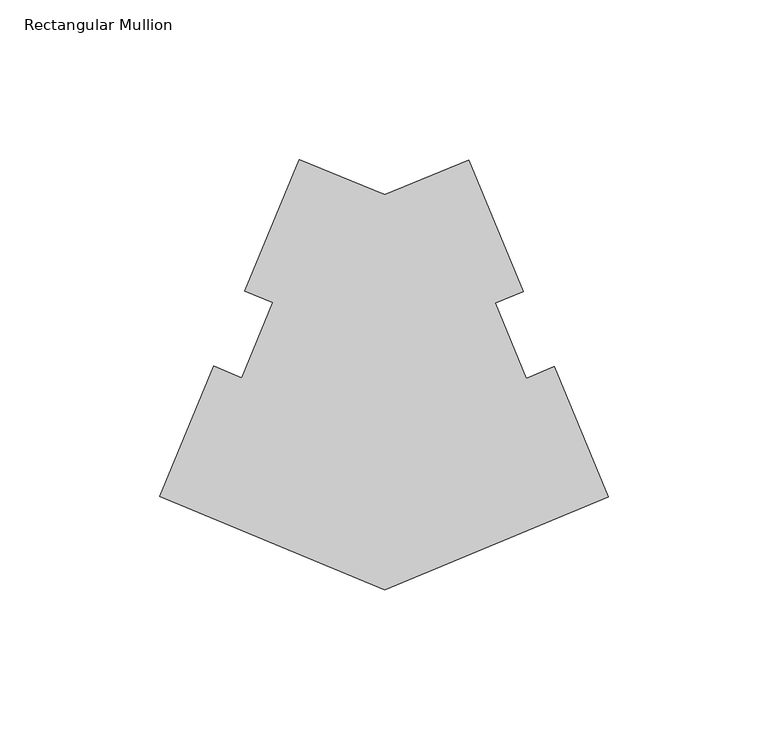
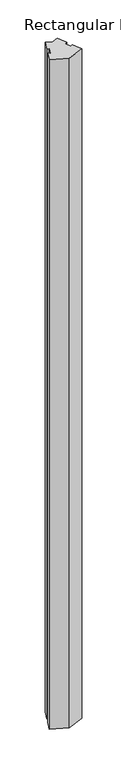
"""IFC4 building model written with IfcOpenShell, lengths in millimetres: member geometry, Rectangular Mullion."""

from ifc_helpers import new_model, si_unit, frame, origin, place, context, project, spatial, polyline, outline, extrude, source, transform, mapped, element, save


def rectangular_mullion_1a94d546(model_context):
    return source(origin(), model_context, "Body", "SweptSolid", [
        extrude(outline(polyline([(-70.0782338, -72.1007958), (-140.4883345, -42.9359772), (-123.5689212, -2.0889), (-114.7584882, -5.7383008), (-105.0047684, 17.809262), (-113.8152013, 21.4586628), (-96.7476182, 62.6634534), (-70.0782338, 51.6166327), (-43.7407163, 62.5259896), (-26.6731332, 21.321199), (-35.4835662, 17.6717982), (-25.7298463, -5.8757646), (-16.9194133, -2.2263638), (0.0, -43.073441), (-70.0782338, -72.1007958)])), frame((0.0, 0.0, -3048.0), z_axis=(0.0, 0.0, 1.0), x_axis=(1.0, 0.0, 0.0)), (0.0, 0.0, 1.0), 3048.0),
    ])


if __name__ == "__main__":
    model = new_model("IFC4")
    model_context = context("Model", 3, world=origin())
    ifc_project = project(units=[si_unit("LENGTHUNIT", "METRE", prefix="MILLI")], contexts=[model_context])
    site = spatial("IfcSite", under=ifc_project)
    building = spatial("IfcBuilding", under=site)
    placement = place(None, origin())
    rectangular_mullion_shape = rectangular_mullion_1a94d546(model_context)
    element("IfcMember", 1, ObjectType="Rectangular Mullion", at=placement, inside=building, context=model_context, shape_type="MappedRepresentation", body=[
        mapped(rectangular_mullion_shape, transform((0.0, 0.0, 0.0), x_axis=(1.0, 0.0, 0.0), y_axis=(0.0, 1.0, 0.0), z_axis=(0.0, 0.0, 1.0))),
    ])
    save(model, "model.ifc")
